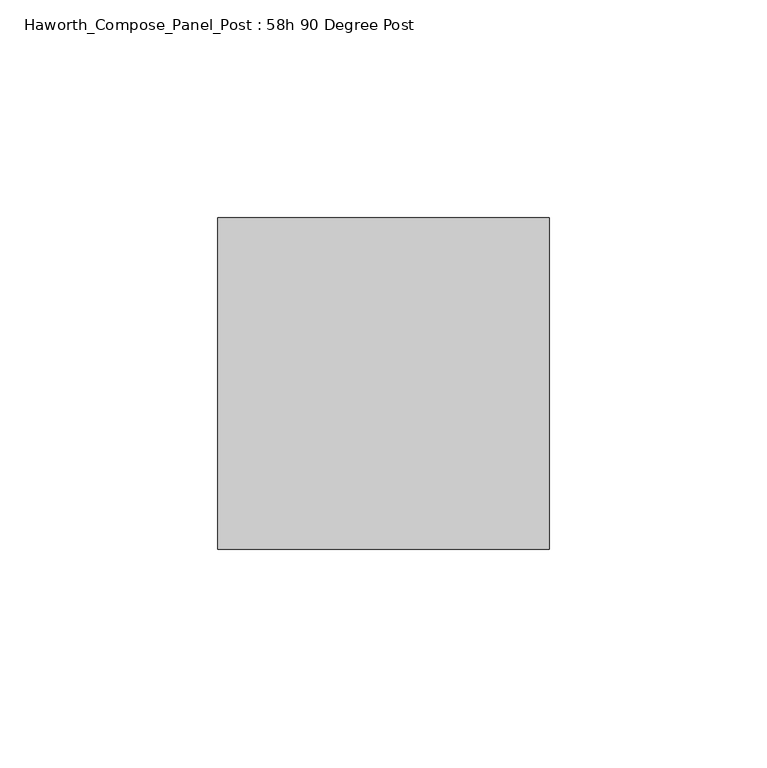
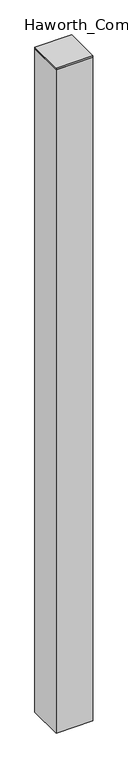
"""IFC4 building model written with IfcOpenShell, lengths in millimetres: furniture geometry, Haworth_Compose_Panel_Post : 58h 90 Degree Post."""

from ifc_helpers import new_model, si_unit, frame, origin, place, context, project, spatial, polyline, outline, extrude, source, transform, mapped, element, save


def haworth_compose_panel_post_58h_90_degree_post_a718f5ee(model_context):
    return source(origin(), model_context, "Body", "SweptSolid", [
        extrude(outline(polyline([(0.0, 38.1), (76.2, 38.1), (76.2, -38.1), (0.0, -38.1), (0.0, 38.1)])), frame((0.0, 0.0, 1466.85), z_axis=(0.0, 0.0, 1.0), x_axis=(1.0, 0.0, 0.0)), (0.0, 0.0, 1.0), 3.175),
        extrude(outline(polyline([(76.2, 38.1), (76.2, -38.1), (0.0, -38.1), (0.0, 38.1), (76.2, 38.1)])), frame((0.0, 0.0, 12.7), z_axis=(0.0, 0.0, 1.0), x_axis=(1.0, 0.0, 0.0)), (0.0, 0.0, 1.0), 1454.15),
    ])


if __name__ == "__main__":
    model = new_model("IFC4")
    model_context = context("Model", 3, world=origin())
    ifc_project = project(units=[si_unit("LENGTHUNIT", "METRE", prefix="MILLI")], contexts=[model_context])
    site = spatial("IfcSite", under=ifc_project)
    building = spatial("IfcBuilding", under=site)
    placement = place(None, origin())
    haworth_compose_panel_post_58h_90_degree_post_shape = haworth_compose_panel_post_58h_90_degree_post_a718f5ee(model_context)
    element("IfcFurniture", 1, ObjectType="Haworth_Compose_Panel_Post : 58h 90 Degree Post", at=placement, inside=building, context=model_context, shape_type="MappedRepresentation", body=[
        mapped(haworth_compose_panel_post_58h_90_degree_post_shape, transform((0.0, 0.0, 0.0), x_axis=(1.0, 0.0, 0.0), y_axis=(0.0, 1.0, 0.0), z_axis=(0.0, 0.0, 1.0))),
    ])
    save(model, "model.ifc")
